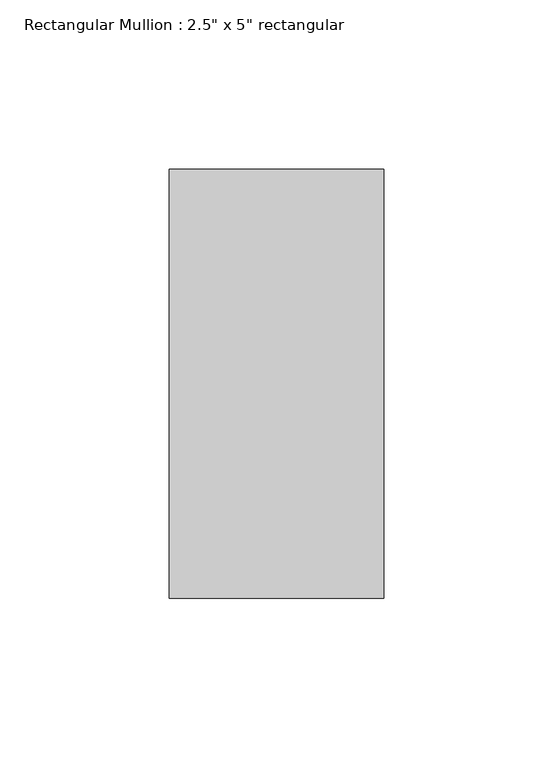
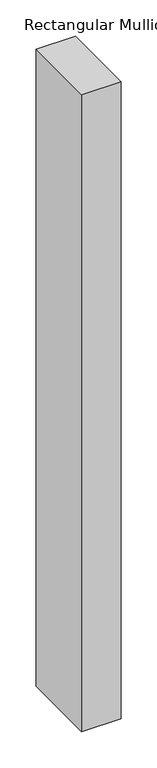
"""IFC4 building model written with IfcOpenShell, lengths in millimetres: member geometry."""

from ifc_helpers import new_model, si_unit, frame, origin, place, context, project, spatial, polyline, outline, extrude, source, transform, mapped, element, save


def member_74e81316(model_context):
    return source(origin(), model_context, "Body", "SweptSolid", [
        extrude(outline(polyline([(0.0, 63.5), (0.0, -63.5), (-63.5, -63.5), (-63.5, 63.5), (0.0, 63.5)])), frame((0.0, 0.0, -1079.5), z_axis=(0.0, 0.0, 1.0), x_axis=(1.0, 0.0, 0.0)), (0.0, 0.0, 1.0), 1079.5),
    ])


if __name__ == "__main__":
    model = new_model("IFC4")
    model_context = context("Model", 3, world=origin())
    ifc_project = project(units=[si_unit("LENGTHUNIT", "METRE", prefix="MILLI")], contexts=[model_context])
    site = spatial("IfcSite", under=ifc_project)
    building = spatial("IfcBuilding", under=site)
    placement = place(None, origin())
    member_shape = member_74e81316(model_context)
    element("IfcMember", 1, ObjectType="Rectangular Mullion : 2.5\" x 5\" rectangular", at=placement, inside=building, context=model_context, shape_type="MappedRepresentation", body=[
        mapped(member_shape, transform((0.0, 0.0, 0.0), x_axis=(1.0, 0.0, 0.0), y_axis=(0.0, 1.0, 0.0), z_axis=(0.0, 0.0, 1.0))),
    ])
    save(model, "model.ifc")
